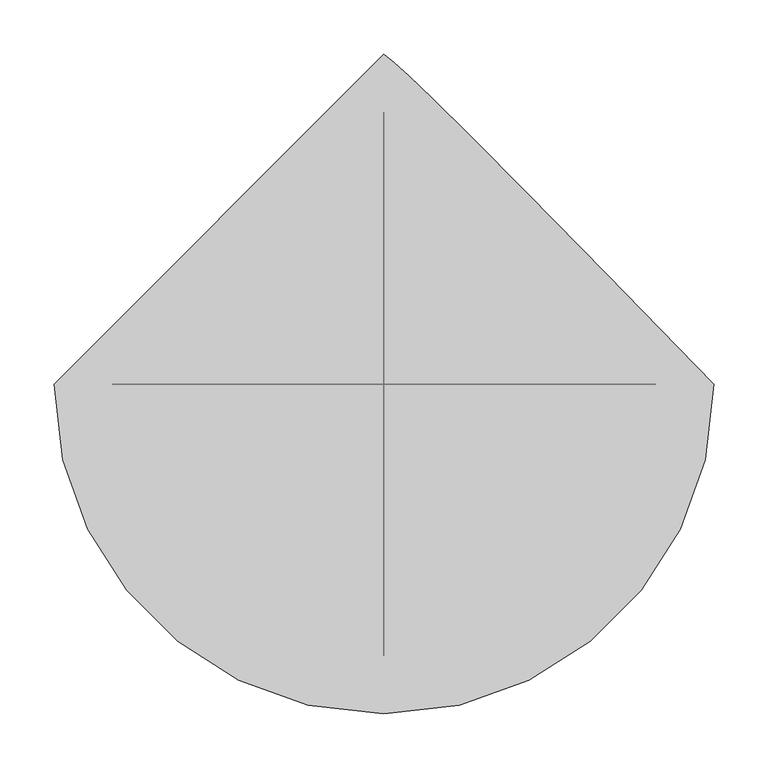
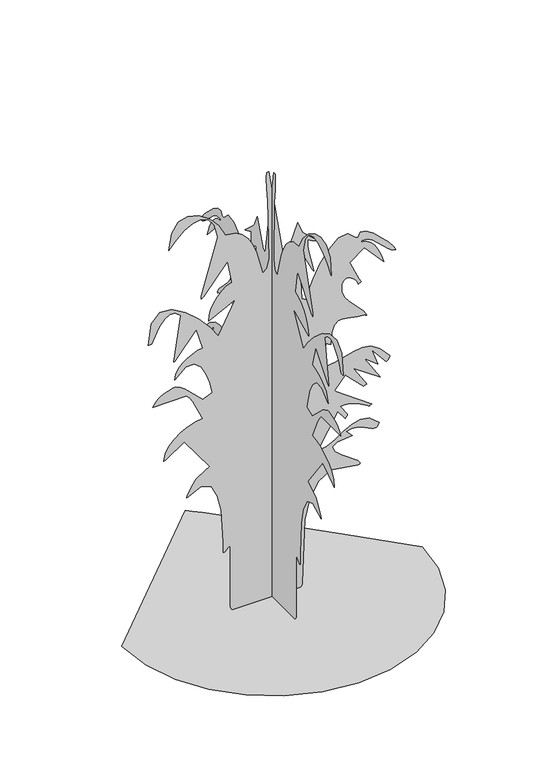
"""IFC4 building model written with IfcOpenShell, lengths in millimetres: geographic element geometry."""

from ifc_helpers import new_model, si_unit, origin, place, context, project, spatial, triangles, source, transform, mapped, element, save


def geographic_element_6c560ffb(model_context):
    return source(origin(), model_context, "Body", "Tessellation", [
        triangles([(-305.0232059, 0.0, 3.81e-05), (-296.9595629, -69.8910782, 3.81e-05), (-273.9929051, -134.0747832, 3.81e-05), (-237.9655802, -190.7131774, 3.81e-05), (-190.7131774, -237.9655802, 3.81e-05), (-134.0747832, -273.9929051, 3.81e-05), (-69.8910782, -296.9595629, 3.81e-05), (1.33e-05, -305.0232059, 3.81e-05), (69.8910782, -296.9595629, 3.81e-05), (134.0749557, -273.9929051, 3.81e-05), (190.7131774, -237.9655802, 3.81e-05), (237.9655802, -190.7131774, 3.81e-05), (273.9929051, -134.0747832, 3.81e-05), (296.9595629, -69.8910782, 3.81e-05), (305.0232059, 2.67e-05, 3.81e-05), (205.8972796, 101.678641, 3.81e-05), (132.4104044, 176.5399873, 3.81e-05), (80.2893216, 229.0535879, 3.81e-05), (45.260891, 263.6889919, 3.81e-05), (23.0520018, 284.9166025, 3.81e-05), (9.3893887, 297.2050966, 3.81e-05), (-4e-05, 305.0232059, 3.81e-05), (23.2885585, 3.7e-06, 725.6383387), (24.1582547, 3.7e-06, 725.7297575), (25.3026071, 3.7e-06, 725.9769808), (26.5930965, 3.6e-06, 726.3376419), (27.9010245, 3.6e-06, 726.771191), (29.0977038, 3.6e-06, 727.2351162), (30.054436, 3.6e-06, 727.6889402), (30.6428675, 3.5e-06, 728.0902966), (52.7056265, 2e-07, 784.4731195), (62.5113688, 1.6e-06, 759.9587729), (94.3800404, 3.4e-06, 730.5421818), (93.3054512, 3.3e-06, 730.8470324), (80.2065142, 2.3e-06, 736.6466784), (72.967353, 1.8e-06, 741.0171965), (72.5145554, 2.5e-06, 729.9563164), (73.4104991, 3.3e-06, 719.6998203), (82.740244, 6.3e-06, 680.3044779), (84.5742981, 7e-06, 669.255443), (82.6857233, 6.9e-06, 671.9275183), (60.0599332, 4.1e-06, 718.2842091), (55.1570621, 4.1e-06, 718.2842091), (60.0599332, 1.01e-05, 617.7764631), (61.0654314, 1.01e-05, 617.5495874), (62.5599668, 1.02e-05, 616.9518042), (64.329331, 1.02e-05, 616.1119572), (66.158975, 1.03e-05, 615.1569283), (67.8345268, 1.03e-05, 614.2137445), (69.14161, 1.04e-05, 613.4111046), (69.8656801, 1.04e-05, 612.87262), (73.5718719, 9.4e-06, 629.4723335), (83.5870854, 7.9e-06, 654.1086205), (98.2562482, 6.3e-06, 681.4423445), (115.9246374, 4.8e-06, 706.1294277), (134.9370307, 3.8e-06, 722.8341494), (153.6385145, 3.6e-06, 726.2140303), (170.3745569, 4.6e-06, 710.9300795), (175.276765, 4.6e-06, 710.9300795), (179.5676549, 4e-06, 720.1638182), (190.6132562, 4.3e-06, 718.1808723), (205.6737468, 5e-06, 708.3223171), (236.8818528, 6.9e-06, 678.3553963), (247.548153, 7.6e-06, 664.9290356), (251.2717811, 7.8e-06, 656.9991417), (244.2241372, 7.5e-06, 658.4333565), (235.5475047, 7.1e-06, 664.9780878), (204.0041358, 5.5e-06, 694.3489695), (193.0685932, 5.2e-06, 700.4110994), (182.6308946, 5.1e-06, 701.123992), (180.1806444, 5.3e-06, 698.6737055), (190.7080905, 5.4e-06, 696.4469519), (200.0078681, 5.8e-06, 690.452623), (208.0393364, 6.3e-06, 681.7166737), (214.7686313, 6.9e-06, 671.2603352), (220.1568199, 7.6e-06, 660.1131958), (224.1649328, 8.2e-06, 649.2978676), (226.7574344, 8.8e-06, 639.8389246), (187.5347922, 6.2e-06, 683.9654463), (158.1172201, 7.5e-06, 661.9013134), (158.597278, 7.6e-06, 659.7795679), (176.4722589, 1.02e-05, 620.7144379), (180.8647596, 1.07e-05, 612.9064842), (174.8009401, 1.05e-05, 610.5324286), (171.6818172, 1.01e-05, 617.1889263), (166.9028938, 9.7e-06, 623.1917576), (161.1411634, 9.4e-06, 627.8805702), (155.0732743, 9.3e-06, 630.5933407), (149.3758932, 9.3e-06, 630.6762571), (144.7258409, 9.5e-06, 627.4656973), (141.7997568, 1e-05, 620.3046518), (141.7301662, 1.08e-05, 605.2983367), (146.7597011, 1.16e-05, 592.3206405), (155.289522, 1.23e-05, 580.7721085), (185.8939403, 1.42e-05, 548.7037897), (192.4369821, 1.49e-05, 536.8792571), (189.9850423, 1.49e-05, 536.8792571), (189.9850423, 1.48e-05, 539.331215), (174.0829607, 1.47e-05, 540.8687665), (146.0529038, 1.44e-05, 546.1570338), (134.9107786, 1.44e-05, 545.2307822), (126.341507, 1.48e-05, 538.8062834), (120.8381819, 1.57e-05, 524.5433458), (118.8942327, 1.71e-05, 500.106865), (109.0884903, 1.68e-05, 505.0107445), (104.1856192, 1.97e-05, 455.9820511), (127.5502087, 1.96e-05, 458.3290009), (165.7268755, 1.9e-05, 468.7175746), (182.7629723, 1.88e-05, 471.1627378), (199.916431, 1.9e-05, 468.0419618), (218.2958506, 1.97e-05, 456.5611582), (239.0137539, 2.11e-05, 433.9196259), (238.7360456, 2.12e-05, 432.3380364), (237.9859097, 2.13e-05, 430.5346581), (236.8920084, 2.14e-05, 428.677068), (235.5830767, 2.15e-05, 426.9346235), (234.1894662, 2.16e-05, 425.4817326), (232.8398757, 2.16e-05, 424.4843734), (231.6596243, 2.16e-05, 424.1135385), (202.2430696, 1.96e-05, 458.4339726), (214.4655248, 2.17e-05, 424.7400627), (187.6109867, 2.04e-05, 445.7932471), (219.4032866, 2.34e-05, 394.6969837), (165.4713497, 2.12e-05, 431.4676681), (166.4947974, 2.13e-05, 429.2714358), (188.1206758, 2.33e-05, 395.8721663), (192.4369821, 2.37e-05, 389.7931043), (191.8493907, 2.37e-05, 389.6576111), (185.9532208, 2.38e-05, 387.478311), (185.0828343, 2.38e-05, 387.3411464), (148.3114687, 2.16e-05, 424.1135385), (126.2485439, 2.33e-05, 397.1472339), (202.2430696, 2.65e-05, 343.2162961), (201.7503126, 2.65e-05, 343.1248773), (201.0492652, 2.65e-05, 342.877654), (200.2246063, 2.65e-05, 342.5169565), (199.3576352, 2.65e-05, 342.0834801), (198.5329762, 2.66e-05, 341.6194822), (197.8319289, 2.66e-05, 341.1656945), (197.3391719, 2.66e-05, 340.7643745), (190.5624599, 2.61e-05, 345.3279041), (172.6639521, 2.55e-05, 353.945256), (153.4994968, 2.53e-05, 359.7957347), (145.1415495, 2.54e-05, 360.9014812), (138.5057264, 2.54e-05, 360.3765495), (153.2141763, 2.68e-05, 338.3141244), (153.0270511, 2.68e-05, 337.1338549), (152.5236298, 2.69e-05, 335.7825929), (151.7910982, 2.7e-05, 334.3889643), (150.9164877, 2.71e-05, 333.0817039), (149.9868479, 2.71e-05, 331.987839), (149.0895553, 2.72e-05, 331.2376668), (148.3114687, 2.72e-05, 330.958287), (133.6028461, 2.6e-05, 350.570462), (91.9286003, 3.03e-05, 279.4793072), (110.7205219, 3.01e-05, 283.3163913), (128.2373579, 2.96e-05, 292.5281291), (145.090408, 2.9e-05, 303.653304), (161.8911358, 2.85e-05, 313.2392741), (179.2510137, 2.83e-05, 317.8264941), (197.7811326, 2.86e-05, 313.9606327), (218.0926472, 2.96e-05, 298.1838522), (217.9995206, 2.96e-05, 297.7351151), (212.4233711, 2.97e-05, 290.042307), (212.0491389, 2.97e-05, 289.2853947), (203.2302731, 2.96e-05, 290.5096659), (195.2343585, 2.94e-05, 293.5373517), (179.7894801, 2.9e-05, 301.0913056), (171.3753134, 2.88e-05, 303.6685465), (161.8603237, 2.88e-05, 304.1426818), (150.7628997, 2.9e-05, 301.5417323), (163.0199186, 2.97e-05, 289.2853947), (132.2055114, 3.02e-05, 286.2373976), (122.3894408, 3.15e-05, 278.2465699), (127.5977893, 3.33e-05, 267.0350086), (141.8573386, 3.53e-05, 254.3248651), (173.6342235, 3.83e-05, 231.3107902), (179.2035965, 3.88e-05, 224.4511072), (177.6812875, 3.87e-05, 222.6798853), (174.0710973, 3.87e-05, 222.2226821), (118.7719745, 4e-05, 230.9839751), (93.4177172, 4.11e-05, 214.8262041), (76.6009021, 4.23e-05, 183.1642922), (66.6607113, 4.36e-05, 141.9982185), (61.6525095, 4.68e-05, 8.3891034), (61.2085186, 4.69e-05, 5.5478791), (60.3527115, 4.69e-05, 3.3148492), (58.9878829, 4.7e-05, 1.597296), (57.0161691, 4.69e-05, 0.3024883), (-78.908919, 4.72e-05, 1.6e-05), (-81.3979476, 4.72e-05, 1.5855646), (-83.0990611, 4.73e-05, 3.4651154), (-84.1516404, 4.74e-05, 5.5596988), (-84.6946941, 4.74e-05, 7.7901892), (-84.8679211, 4.75e-05, 10.0776768), (-84.6608208, 4.76e-05, 14.507229), (-84.5742981, 3.87e-05, 137.2961799), (-86.247479, 3.88e-05, 138.0415832), (-88.3450072, 3.89e-05, 136.9385437), (-95.4942529, 3.9e-05, 130.0375387), (-97.5990663, 3.91e-05, 129.0393256), (-99.2829115, 3.92e-05, 129.9418686), (-99.1957076, 3.79e-05, 151.8805005), (-103.2629193, 3.37e-05, 221.3133626), (-110.5930133, 3.17e-05, 255.2155629), (-123.5717269, 3.03e-05, 279.514861), (-143.786545, 2.98e-05, 287.4176489), (-172.8265148, 3.07e-05, 272.1251594), (-173.0771173, 3.06e-05, 273.4188668), (-171.9290405, 3.04e-05, 276.8749603), (-163.0813793, 2.94e-05, 293.7557795), (-155.6657709, 2.88e-05, 303.993672), (-154.8604239, 2.87e-05, 305.6378849), (-152.0650731, 2.86e-05, 308.2422318), (-136.8848678, 2.8e-05, 318.3700656), (-126.2485439, 2.76e-05, 323.6041574), (-177.7287047, 2.34e-05, 394.6969837), (-214.4994072, 2.49e-05, 370.1826007), (-219.4032866, 2.5e-05, 367.7306791), (-216.7498331, 2.41e-05, 382.3762968), (-209.4922092, 2.33e-05, 395.702809), (-198.6836756, 2.26e-05, 407.3935925), (-185.372406, 2.21e-05, 417.1319152), (-170.6133142, 2.16e-05, 424.6012267), (-155.4576622, 2.13e-05, 429.4847949), (-140.9571574, 2.12e-05, 431.4676681), (-142.4748882, 2.09e-05, 435.8686349), (-160.6573812, 1.82e-05, 474.9168692), (-167.0918721, 1.8e-05, 484.6416753), (-173.8255817, 1.83e-05, 492.1922318), (-241.9669348, 2.08e-05, 491.3506408), (-235.9860862, 2.01e-05, 499.6496618), (-230.46582, 1.94e-05, 505.4120645), (-225.1352224, 1.85e-05, 509.2779622), (-219.7267226, 1.76e-05, 511.895862), (-200.3075954, 1.49e-05, 518.6844011), (-195.4036978, 1.49e-05, 518.6844011), (-185.9024064, 1.55e-05, 513.910928), (-177.5170352, 1.61e-05, 508.4448372), (-140.9571574, 1.87e-05, 473.1422682), (-121.3456728, 1.83e-05, 480.4963978), (-126.5933085, 1.69e-05, 503.7272109), (-133.5689819, 1.56e-05, 524.2927434), (-143.815504, 1.45e-05, 543.2986691), (-157.6107285, 1.37e-05, 555.0944243), (-175.232727, 1.38e-05, 554.0344236), (-196.9564918, 1.49e-05, 534.4713372), (-195.0650375, 1.43e-05, 545.4830924), (-189.8885184, 1.37e-05, 555.3315102), (-182.1770887, 1.32e-05, 563.9149979), (-172.6774868, 1.28e-05, 571.1234968), (-162.1431008, 1.25e-05, 576.853743), (-151.3196699, 1.23e-05, 581.0007282), (-140.9571574, 1.22e-05, 583.4560289), (-153.2143398, 9.5e-06, 627.5825506), (-197.3408615, 1.27e-05, 573.6499778), (-199.7911117, 1.27e-05, 573.6499778), (-185.1353384, 6.7e-06, 668.8846081), (-196.47558, 6.1e-06, 678.1623848), (-207.3687741, 6.2e-06, 678.5654125), (-217.4932106, 6.6e-06, 672.3830137), (-226.5305224, 7.3e-06, 661.9047289), (-234.1606708, 8.1e-06, 649.4180637), (-243.9176515, 9.5e-06, 627.5825506), (-251.2717811, 9.5e-06, 627.5825506), (-244.8151076, 6.9e-06, 671.4042944), (-227.8140741, 5.8e-06, 689.583926), (-203.8246409, 5.9e-06, 687.9007439), (-176.4028227, 6.9e-06, 672.1357904), (-149.1025904, 8.3e-06, 648.0718523), (-125.4794321, 9.9e-06, 621.4865564), (-109.0886539, 1.13e-05, 598.1643245), (-74.7685512, 7.3e-06, 664.3532713), (-128.699975, 8.9e-06, 637.3869667), (-127.426597, 8.3e-06, 648.7881603), (-123.8213211, 7.6e-06, 660.533083), (-118.2074196, 6.9e-06, 672.0257681), (-110.9074654, 6.2e-06, 682.6717026), (-102.2450581, 5.7e-06, 691.8749926), (-92.5424345, 5.3e-06, 699.0411976), (-82.122858, 5e-06, 703.5758772), (-81.8107767, 4.9e-06, 705.340377), (-89.4771692, 2.2e-06, 750.1526854), (-92.1616075, 2.2e-06, 749.6988613), (-138.6035947, 5.6e-06, 693.0162746), (-143.4085975, 5.9e-06, 688.867618), (-143.3291783, 4.4e-06, 695.5783276), (-110.3909999, -1.4e-06, 810.8264528), (-117.634226, -3.1e-06, 838.8815718), (-129.3588555, -4e-06, 854.8446236), (-144.2491621, -4.4e-06, 860.5274162), (-160.9887563, -4.3e-06, 857.7334007), (-178.2621024, -3.7e-06, 848.2762018), (-194.7517572, -2.9e-06, 833.9590525), (-209.1433933, -1.8e-06, 816.5939787), (-203.9279231, -3.9e-06, 851.4579844), (-190.1967118, -5e-06, 870.3233299), (-170.8249836, -5.3e-06, 875.599752), (-148.6828123, -4.9e-06, 869.6950979), (-126.6463031, -4.1e-06, 855.0190315), (-107.5875191, -2.8e-06, 833.9810715), (-94.3800404, -1.3e-06, 808.9874662), (-74.002487, -1.2e-06, 806.8420303), (-60.0551915, -6e-07, 798.1281727), (-48.6578857, 1e-07, 785.36042), (-39.4812111, 1.1e-06, 769.6954605), (-32.195146, 2.1e-06, 752.2862761), (-18.3856874, 5.1e-06, 701.123992), (-10.417292, 4.7e-06, 708.6220081), (-5.9959691, 3.5e-06, 728.2189951), (-8.5800098, -4.1e-06, 855.5642744), (-9.416414, -3.9e-06, 861.7178232), (-10.1250565, -4.2e-06, 868.9957947), (-10.6854306, -4.7e-06, 877.1762547), (-11.0767596, -5.4e-06, 886.0307287), (-11.278672, -6.2e-06, 895.3372828), (-11.2704932, -6.9e-06, 904.8690411), (-11.0314465, -7.6e-06, 914.3990553), (-6.1285906, -7.6e-06, 914.3990553), (-2.1e-05, 23.2885585, 725.6383387), (-2.1e-05, 24.1582547, 725.7297575), (-2.1e-05, 25.3026071, 725.9769808), (-2.1e-05, 26.5930965, 726.339386), (-2.1e-05, 27.9010245, 726.771191), (-2.1e-05, 29.0977038, 727.2368603), (-2.1e-05, 30.054604, 727.6889402), (-2.1e-05, 30.6428675, 728.0902966), (-2.1e-05, 52.7057945, 784.4731195), (-2.1e-05, 62.5115368, 759.9587729), (-2.1e-05, 94.3800404, 730.5421818), (-2.1e-05, 93.3054512, 730.8470324), (-2.03e-05, 80.2065142, 736.6466784), (-2.01e-05, 72.9675211, 741.0171965), (-2.01e-05, 72.514728, 729.9563164), (-2.03e-05, 73.4104991, 719.6998203), (-2.1e-05, 82.7404166, 680.3044779), (-2.1e-05, 84.5742981, 669.255443), (-2.1e-05, 82.6857233, 671.9275183), (-2.1e-05, 60.0601013, 718.2842091), (-2.1e-05, 55.1572301, 718.2842091), (-2.1e-05, 60.0601013, 617.7764631), (-2.1e-05, 61.0654314, 617.5495874), (-2.1e-05, 62.5601394, 616.9518042), (-2.1e-05, 64.329331, 616.1119572), (-2.1e-05, 66.159143, 615.1569283), (-2.1e-05, 67.8345268, 614.2137445), (-2.1e-05, 69.14161, 613.4111046), (-2.1e-05, 69.8656801, 612.87262), (-2.1e-05, 73.5718719, 629.4723335), (-2.1e-05, 83.5870854, 654.1086205), (-2.1e-05, 98.2564117, 681.4423445), (-2.1e-05, 115.92481, 706.1294277), (-2.1e-05, 134.9370307, 722.8341494), (-2.1e-05, 153.6386962, 726.2140303), (-2.1e-05, 170.3745569, 710.9300795), (-2.1e-05, 175.276765, 710.9300795), (-2.11e-05, 179.5676549, 720.1638182), (-2.12e-05, 190.6132562, 718.1808723), (-2.13e-05, 205.6737468, 708.3223171), (-2.14e-05, 236.8818528, 678.3553963), (-2.13e-05, 247.548153, 664.9290356), (-2.1e-05, 251.2717811, 656.9991417), (-2.09e-05, 244.2241372, 658.4333565), (-2.08e-05, 235.5475047, 664.9780878), (-2.1e-05, 204.0041358, 694.3489695), (-2.1e-05, 193.0685932, 700.4110994), (-2.1e-05, 182.6308946, 701.123992), (-2.1e-05, 180.1806444, 698.6737055), (-2.1e-05, 190.7080905, 696.4469519), (-2.1e-05, 200.0078681, 690.452623), (-2.1e-05, 208.0393364, 681.7166737), (-2.1e-05, 214.7686313, 671.2603352), (-2.1e-05, 220.1568199, 660.1131958), (-2.1e-05, 224.1649328, 649.2978676), (-2.1e-05, 226.7574344, 639.8389246), (-2.1e-05, 187.5347922, 683.9654463), (-2.1e-05, 158.1172201, 661.9013134), (-2.11e-05, 158.597278, 659.7795679), (-2.13e-05, 176.4722589, 620.7144379), (-2.13e-05, 180.8647596, 612.9064842), (-2.11e-05, 174.8009401, 610.5324286), (-2.1e-05, 171.6818172, 617.1889263), (-2.1e-05, 166.9028938, 623.1917576), (-2.1e-05, 161.1411634, 627.8805702), (-2.1e-05, 155.0732743, 630.5950121), (-2.1e-05, 149.3760658, 630.6762571), (-2.1e-05, 144.7258409, 627.4656973), (-2.1e-05, 141.7997568, 620.3046518), (-2.1e-05, 141.7303388, 605.2983367), (-2.1e-05, 146.7598646, 592.3206405), (-2.1e-05, 155.289522, 580.7721085), (-2.1e-05, 185.8939403, 548.7037897), (-2.1e-05, 192.4369821, 536.8792571), (-2.1e-05, 189.9850423, 536.8792571), (-2.1e-05, 189.9850423, 539.331215), (-2.1e-05, 174.0829607, 540.8687665), (-2.1e-05, 146.0530673, 546.1570338), (-2.1e-05, 134.9107786, 545.2307822), (-2.1e-05, 126.341507, 538.8062834), (-2.1e-05, 120.8383455, 524.5433458), (-2.1e-05, 118.8944052, 500.106865), (-2.1e-05, 109.0886539, 505.0107445), (-2.1e-05, 104.1857827, 455.9820511), (-2.1e-05, 127.5502087, 458.3290009), (-2.1e-05, 165.727039, 468.7175746), (-2.1e-05, 182.7629723, 471.1627378), (-2.1e-05, 199.916431, 468.0419618), (-2.1e-05, 218.2958506, 456.5611582), (-2.1e-05, 239.0137539, 433.9196259), (-2.1e-05, 238.7360456, 432.3380364), (-2.1e-05, 237.9859097, 430.5346581), (-2.1e-05, 236.8920084, 428.677068), (-2.1e-05, 235.5830767, 426.9346235), (-2.1e-05, 234.1894662, 425.4817326), (-2.1e-05, 232.8398757, 424.4843734), (-2.1e-05, 231.6596243, 424.1135385), (-2.1e-05, 202.2430696, 458.4339726), (-2.11e-05, 214.4655248, 424.7400627), (-2.1e-05, 187.6109867, 445.7932471), (-2.1e-05, 219.4032866, 394.6969837), (-2.1e-05, 165.4715132, 431.4676681), (-2.1e-05, 166.4947974, 429.2714358), (-2.1e-05, 188.1206758, 395.8721663), (-2.1e-05, 192.4369821, 389.7931043), (-2.1e-05, 191.8493907, 389.6576111), (-2.1e-05, 185.9532208, 387.478311), (-2.1e-05, 185.0828343, 387.3411464), (-2.1e-05, 148.3114687, 424.1135385), (-2.1e-05, 126.2485439, 397.1472339), (-2.1e-05, 202.2430696, 343.2162961), (-2.1e-05, 201.7503126, 343.1248773), (-2.1e-05, 201.0492652, 342.877654), (-2.1e-05, 200.2246063, 342.5169565), (-2.1e-05, 199.3576352, 342.0834801), (-2.1e-05, 198.5329762, 341.6194822), (-2.1e-05, 197.8319289, 341.1656945), (-2.1e-05, 197.3408615, 340.7643745), (-2.08e-05, 190.5624599, 345.3279041), (-2.07e-05, 172.6639521, 353.945256), (-2.09e-05, 153.4996603, 359.7957347), (-2.1e-05, 145.1417221, 360.9014812), (-2.1e-05, 138.5057264, 360.3765495), (-2.1e-05, 153.2143398, 338.3141244), (-2.1e-05, 153.0272328, 337.1338549), (-2.1e-05, 152.5237933, 335.7825929), (-2.1e-05, 151.7910982, 334.3889643), (-2.1e-05, 150.9164877, 333.0817039), (-2.1e-05, 149.9870205, 331.987839), (-2.1e-05, 149.0895553, 331.2376668), (-2.1e-05, 148.3114687, 330.958287), (-2.1e-05, 133.6028461, 350.570462), (-2.1e-05, 91.9286003, 279.4793072), (-2.11e-05, 110.7205219, 283.318099), (-2.11e-05, 128.2373579, 292.5281291), (-2.12e-05, 145.0905806, 303.653304), (-2.13e-05, 161.8911358, 313.2392741), (-2.14e-05, 179.2510137, 317.8264941), (-2.14e-05, 197.7811326, 313.9606327), (-2.15e-05, 218.0926472, 298.1838522), (-2.14e-05, 217.9995206, 297.7351151), (-2.11e-05, 212.4233711, 290.042307), (-2.1e-05, 212.0491389, 289.2853947), (-2.1e-05, 203.2302731, 290.5096659), (-2.1e-05, 195.2360663, 293.5373517), (-2.1e-05, 179.7894801, 301.0913056), (-2.1e-05, 171.3753134, 303.6685465), (-2.1e-05, 161.8603237, 304.1426818), (-2.1e-05, 150.7628997, 301.5417323), (-2.1e-05, 163.0200821, 289.2853947), (-2.14e-05, 132.2055114, 286.2373976), (-2.22e-05, 122.3894408, 278.2465699), (-2.34e-05, 127.5979619, 267.0350086), (-2.46e-05, 141.8575022, 254.3248651), (-2.62e-05, 173.6342235, 231.3107902), (-2.62e-05, 179.2035965, 224.4511072), (-2.61e-05, 177.6812875, 222.6798853), (-2.61e-05, 174.0710973, 222.2226821), (-2.79e-05, 118.7719745, 230.9839751), (-2.8e-05, 93.4177172, 214.8262041), (-2.73e-05, 76.6009021, 183.1642922), (-2.61e-05, 66.6607113, 141.9982185), (-2.14e-05, 61.6525095, 8.3890864), (-2.13e-05, 61.2085186, 5.5478627), (-2.13e-05, 60.3528795, 3.3148322), (-2.12e-05, 58.9878829, 1.5972791), (-2.11e-05, 57.0161691, 0.3024714), (-2.13e-05, -78.9087464, 0.0), (-2.15e-05, -81.397775, 1.5855495), (-2.16e-05, -83.0988976, 3.4650984), (-2.18e-05, -84.1514678, 5.5596818), (-2.2e-05, -84.6946941, 7.7901892), (-2.22e-05, -84.8679211, 10.0776598), (-2.25e-05, -84.6608208, 14.507212), (-2.1e-05, -84.5742981, 137.2961799), (-2.12e-05, -86.2473064, 138.0414106), (-2.11e-05, -88.3450072, 136.9385437), (-2.09e-05, -95.4942529, 130.0375387), (-2.09e-05, -97.5990663, 129.0393256), (-2.1e-05, -99.2827389, 129.9418686), (-2.1e-05, -99.1957076, 151.8805005), (-2.1e-05, -103.2627467, 221.3133626), (-2.1e-05, -110.5930133, 255.2155629), (-2.1e-05, -123.5715544, 279.5165687), (-2.1e-05, -143.786545, 287.4176489), (-2.1e-05, -172.8265148, 272.1251594), (-2.1e-05, -173.0771173, 273.4188668), (-2.1e-05, -171.9290405, 276.8749603), (-2.1e-05, -163.0812158, 293.7557795), (-2.1e-05, -155.6656074, 303.993672), (-2.1e-05, -154.8604239, 305.6378849), (-2.1e-05, -152.0650731, 308.2439395), (-2.1e-05, -136.8848678, 318.3700656), (-2.1e-05, -126.2485439, 323.6041574), (-2.1e-05, -177.7287047, 394.6969837), (-2.1e-05, -214.4994072, 370.1826007), (-2.1e-05, -219.4032866, 367.7306791), (-2.1e-05, -216.7498331, 382.3762968), (-2.1e-05, -209.4922092, 395.702809), (-2.1e-05, -198.681986, 407.3935925), (-2.1e-05, -185.372406, 417.1319152), (-2.1e-05, -170.6133142, 424.6012267), (-2.1e-05, -155.4574987, 429.4847949), (-2.1e-05, -140.9571574, 431.4676681), (-2.1e-05, -142.4748882, 435.8686349), (-2.07e-05, -160.6572176, 474.9168692), (-2.1e-05, -167.0918721, 484.6416753), (-2.17e-05, -173.8255817, 492.1922318), (-2.42e-05, -241.9669348, 491.3506408), (-2.4e-05, -235.9843966, 499.6496618), (-2.36e-05, -230.46582, 505.4120645), (-2.3e-05, -225.1352224, 509.2779622), (-2.23e-05, -219.7267226, 511.895862), (-1.99e-05, -200.3075954, 518.6844011), (-1.99e-05, -195.4036978, 518.6844011), (-2.03e-05, -185.9024064, 513.910928), (-2.05e-05, -177.5153456, 508.4448372), (-2.1e-05, -140.9571574, 473.1422682), (-2.1e-05, -121.3456728, 480.4963978), (-2.1e-05, -126.5933085, 503.7272109), (-2.1e-05, -133.5688184, 524.2927434), (-2.1e-05, -143.815504, 543.2986691), (-2.09e-05, -157.6107285, 555.0944243), (-2.09e-05, -175.2310374, 554.0344236), (-2.09e-05, -196.9564918, 534.4713372), (-2.09e-05, -195.0650375, 545.4830924), (-2.09e-05, -189.8885184, 555.3315102), (-2.1e-05, -182.1770887, 563.9149979), (-2.1e-05, -172.6774868, 571.1234968), (-2.1e-05, -162.1431008, 576.853743), (-2.1e-05, -151.3196699, 581.0007282), (-2.1e-05, -140.9571574, 583.4560289), (-2.1e-05, -153.2141763, 627.5825506), (-2.1e-05, -197.3391719, 573.6499778), (-2.1e-05, -199.7911117, 573.6499778), (-2.07e-05, -185.1353384, 668.8846081), (-2.07e-05, -196.47558, 678.1623848), (-2.07e-05, -207.3687741, 678.5654125), (-2.08e-05, -217.4932106, 672.3830137), (-2.09e-05, -226.5305224, 661.9047289), (-2.1e-05, -234.1589812, 649.4180637), (-2.1e-05, -243.9176515, 627.5825506), (-2.1e-05, -251.2717811, 627.5825506), (-2.1e-05, -244.8151076, 671.4042944), (-2.1e-05, -227.8140741, 689.583926), (-2.1e-05, -203.8246409, 687.9007439), (-2.1e-05, -176.4028227, 672.1357904), (-2.1e-05, -149.1025904, 648.0718523), (-2.1e-05, -125.4794321, 621.4865564), (-2.1e-05, -109.0884903, 598.1643245), (-2.1e-05, -74.7685512, 664.3532713), (-2.1e-05, -128.699975, 637.3869667), (-2.1e-05, -127.4264244, 648.7881603), (-2.1e-05, -123.8211485, 660.533083), (-2.1e-05, -118.207247, 672.0257681), (-2.1e-05, -110.9074654, 682.6717026), (-2.1e-05, -102.2448855, 691.8749926), (-2.1e-05, -92.542271, 699.0411976), (-2.1e-05, -82.122858, 703.5758772), (-2.1e-05, -81.8106132, 705.340377), (-2.1e-05, -89.4771692, 750.1526854), (-2.1e-05, -92.1616075, 749.6988613), (-2.1e-05, -138.6035947, 693.0162746), (-2.1e-05, -143.4085975, 688.867618), (-1.99e-05, -143.3290057, 695.5783276), (-2.1e-05, -110.3909999, 810.8264528), (-2.1e-05, -117.6340534, 838.8815718), (-2.1e-05, -129.3588555, 854.8446236), (-2.1e-05, -144.2491621, 860.5274162), (-2.1e-05, -160.9885928, 857.7334007), (-2.1e-05, -178.2621024, 848.2762018), (-2.09e-05, -194.7517572, 833.9590525), (-2.09e-05, -209.1433933, 816.5939787), (-2.09e-05, -203.9279231, 851.4579844), (-2.1e-05, -190.1967118, 870.3233299), (-2.1e-05, -170.8232941, 875.599752), (-2.1e-05, -148.6828123, 869.6950979), (-2.1e-05, -126.6463031, 855.0190315), (-2.1e-05, -107.5875191, 833.9810715), (-2.1e-05, -94.3800404, 808.9874662), (-2.1e-05, -74.002487, 806.8420303), (-2.1e-05, -60.0550234, 798.1281727), (-2.1e-05, -48.6577131, 785.3621641), (-2.1e-05, -39.4810431, 769.6954605), (-2.1e-05, -32.195146, 752.2862761), (-2.1e-05, -18.3856874, 701.123992), (-2.1e-05, -10.4172069, 708.6220081), (-2.1e-05, -5.9959009, 728.2189951), (-2.1e-05, -8.5799252, 855.5642744), (-2.15e-05, -9.4163465, 861.7178232), (-2.17e-05, -10.1249713, 868.9957947), (-2.17e-05, -10.6853625, 877.1762547), (-2.15e-05, -11.0766915, 886.0307287), (-2.13e-05, -11.278605, 895.3372828), (-2.11e-05, -11.2704263, 904.8690411), (-2.1e-05, -11.0313783, 914.3990553), (-2.1e-05, -6.1285061, 914.3990553)], [[21, 22, 1], [20, 21, 1], [19, 20, 1], [18, 19, 1], [17, 18, 1], [17, 1, 2], [17, 2, 3], [17, 3, 4], [16, 17, 4], [16, 4, 5], [16, 5, 6], [16, 6, 7], [16, 7, 8], [16, 8, 9], [16, 9, 10], [16, 10, 11], [16, 11, 12], [15, 16, 12], [14, 15, 12], [13, 14, 12], [122, 123, 124], [39, 40, 41], [77, 78, 79], [76, 77, 79], [32, 33, 34], [32, 34, 35], [32, 35, 36], [75, 76, 79], [294, 295, 296], [120, 121, 122], [74, 75, 79], [246, 247, 248], [246, 248, 249], [73, 74, 79], [30, 31, 32], [132, 133, 134], [285, 286, 287], [171, 172, 173], [246, 249, 250], [218, 219, 220], [64, 65, 66], [230, 231, 232], [230, 232, 233], [230, 233, 234], [230, 234, 235], [132, 134, 135], [230, 235, 236], [230, 236, 237], [230, 237, 238], [230, 238, 239], [273, 274, 275], [273, 275, 276], [273, 276, 277], [132, 135, 136], [72, 73, 79], [132, 136, 137], [273, 277, 278], [132, 137, 138], [217, 218, 220], [217, 220, 221], [217, 221, 222], [217, 222, 223], [126, 127, 128], [103, 104, 105], [229, 230, 239], [229, 239, 240], [132, 138, 139], [207, 208, 209], [207, 209, 210], [207, 210, 211], [273, 278, 279], [30, 32, 36], [30, 36, 37], [228, 229, 240], [293, 294, 296], [293, 296, 297], [293, 297, 298], [292, 293, 298], [292, 298, 299], [291, 292, 299], [291, 299, 300], [290, 291, 300], [289, 290, 300], [289, 300, 301], [288, 289, 301], [288, 301, 302], [132, 139, 140], [132, 140, 141], [132, 141, 142], [132, 142, 143], [132, 143, 144], [132, 144, 145], [64, 66, 67], [63, 64, 67], [256, 257, 258], [255, 256, 258], [273, 279, 280], [264, 265, 266], [263, 264, 266], [262, 263, 266], [262, 266, 267], [261, 262, 267], [261, 267, 268], [260, 261, 268], [259, 260, 268], [259, 268, 269], [258, 259, 269], [255, 258, 269], [255, 269, 270], [255, 270, 271], [254, 255, 271], [254, 271, 272], [82, 83, 84], [82, 84, 85], [273, 280, 281], [71, 72, 79], [63, 67, 68], [62, 63, 68], [62, 68, 69], [61, 62, 69], [61, 69, 70], [60, 61, 70], [59, 60, 70], [207, 211, 212], [96, 97, 98], [95, 96, 98], [95, 98, 99], [317, 318, 319], [317, 319, 23], [316, 317, 23], [315, 316, 23], [314, 315, 23], [313, 314, 23], [312, 313, 23], [311, 312, 23], [310, 311, 23], [246, 250, 251], [245, 246, 251], [245, 251, 252], [82, 85, 86], [82, 86, 87], [81, 82, 87], [30, 37, 38], [95, 99, 100], [39, 41, 42], [38, 39, 42], [30, 38, 42], [30, 42, 43], [81, 87, 88], [94, 95, 100], [309, 310, 23], [227, 228, 240], [217, 223, 224], [59, 70, 71], [245, 252, 253], [177, 178, 179], [177, 179, 180], [177, 180, 181], [176, 177, 181], [175, 176, 181], [71, 79, 80], [284, 285, 287], [284, 287, 288], [284, 288, 302], [284, 302, 303], [283, 284, 303], [283, 303, 304], [283, 304, 305], [283, 305, 306], [283, 306, 307], [282, 283, 307], [282, 307, 308], [281, 282, 308], [273, 281, 308], [152, 153, 154], [151, 152, 154], [150, 151, 154], [149, 150, 154], [148, 149, 154], [147, 148, 154], [146, 147, 154], [145, 146, 154], [164, 165, 166], [94, 100, 101], [58, 59, 71], [58, 71, 80], [118, 119, 120], [117, 118, 120], [116, 117, 120], [115, 116, 120], [114, 115, 120], [113, 114, 120], [112, 113, 120], [111, 112, 120], [110, 111, 120], [93, 94, 101], [109, 110, 120], [109, 120, 122], [108, 109, 122], [108, 122, 124], [107, 108, 124], [126, 128, 129], [126, 129, 130], [125, 126, 130], [125, 130, 131], [124, 125, 131], [107, 124, 131], [107, 131, 132], [106, 107, 132], [30, 43, 44], [29, 30, 44], [28, 29, 44], [27, 28, 44], [26, 27, 44], [25, 26, 44], [24, 25, 44], [23, 24, 44], [309, 23, 44], [308, 309, 44], [273, 308, 44], [272, 273, 44], [161, 162, 163], [161, 163, 164], [161, 164, 166], [161, 166, 167], [160, 161, 167], [160, 167, 168], [160, 168, 169], [159, 160, 169], [159, 169, 170], [158, 159, 170], [158, 170, 171], [158, 171, 173], [157, 158, 173], [156, 157, 173], [156, 173, 174], [81, 88, 89], [244, 245, 253], [244, 253, 254], [201, 202, 203], [200, 201, 203], [199, 200, 203], [198, 199, 203], [207, 212, 213], [207, 213, 214], [206, 207, 214], [206, 214, 215], [206, 215, 216], [57, 58, 80], [56, 57, 80], [55, 56, 80], [54, 55, 80], [53, 54, 80], [53, 80, 81], [53, 81, 89], [53, 89, 90], [52, 53, 90], [52, 90, 91], [51, 52, 91], [51, 91, 92], [51, 92, 93], [51, 93, 101], [51, 101, 102], [244, 254, 272], [243, 244, 272], [243, 272, 44], [242, 243, 44], [241, 242, 44], [217, 224, 225], [216, 217, 225], [216, 225, 226], [51, 102, 103], [51, 103, 105], [241, 44, 45], [241, 45, 46], [241, 46, 47], [241, 47, 48], [241, 48, 49], [241, 49, 50], [241, 50, 51], [241, 51, 105], [241, 105, 106], [241, 106, 132], [241, 132, 145], [241, 145, 154], [241, 154, 155], [240, 241, 155], [227, 240, 155], [226, 227, 155], [216, 226, 155], [206, 216, 155], [205, 206, 155], [204, 205, 155], [203, 204, 155], [198, 203, 155], [197, 198, 155], [175, 181, 182], [174, 175, 182], [156, 174, 182], [155, 156, 182], [197, 155, 182], [197, 182, 183], [197, 183, 184], [196, 197, 184], [196, 184, 185], [196, 185, 186], [196, 186, 187], [196, 187, 188], [196, 188, 189], [196, 189, 190], [195, 196, 190], [194, 195, 190], [194, 190, 191], [194, 191, 192], [194, 192, 193], [419, 420, 421], [336, 337, 338], [374, 375, 376], [373, 374, 376], [329, 330, 331], [329, 331, 332], [329, 332, 333], [372, 373, 376], [591, 592, 593], [417, 418, 419], [371, 372, 376], [543, 544, 545], [543, 545, 546], [370, 371, 376], [327, 328, 329], [429, 430, 431], [582, 583, 584], [468, 469, 470], [543, 546, 547], [515, 516, 517], [361, 362, 363], [527, 528, 529], [527, 529, 530], [527, 530, 531], [527, 531, 532], [429, 431, 432], [527, 532, 533], [527, 533, 534], [527, 534, 535], [527, 535, 536], [570, 571, 572], [570, 572, 573], [570, 573, 574], [429, 432, 433], [369, 370, 376], [429, 433, 434], [570, 574, 575], [429, 434, 435], [514, 515, 517], [514, 517, 518], [514, 518, 519], [514, 519, 520], [423, 424, 425], [400, 401, 402], [526, 527, 536], [526, 536, 537], [429, 435, 436], [504, 505, 506], [504, 506, 507], [504, 507, 508], [570, 575, 576], [327, 329, 333], [327, 333, 334], [525, 526, 537], [590, 591, 593], [590, 593, 594], [590, 594, 595], [589, 590, 595], [589, 595, 596], [588, 589, 596], [588, 596, 597], [587, 588, 597], [586, 587, 597], [586, 597, 598], [585, 586, 598], [585, 598, 599], [429, 436, 437], [429, 437, 438], [429, 438, 439], [429, 439, 440], [429, 440, 441], [429, 441, 442], [361, 363, 364], [360, 361, 364], [553, 554, 555], [552, 553, 555], [570, 576, 577], [561, 562, 563], [560, 561, 563], [559, 560, 563], [559, 563, 564], [558, 559, 564], [558, 564, 565], [557, 558, 565], [556, 557, 565], [556, 565, 566], [555, 556, 566], [552, 555, 566], [552, 566, 567], [552, 567, 568], [551, 552, 568], [551, 568, 569], [379, 380, 381], [379, 381, 382], [570, 577, 578], [368, 369, 376], [360, 364, 365], [359, 360, 365], [359, 365, 366], [358, 359, 366], [358, 366, 367], [357, 358, 367], [356, 357, 367], [504, 508, 509], [393, 394, 395], [392, 393, 395], [392, 395, 396], [614, 615, 616], [614, 616, 320], [613, 614, 320], [612, 613, 320], [611, 612, 320], [610, 611, 320], [609, 610, 320], [608, 609, 320], [607, 608, 320], [543, 547, 548], [542, 543, 548], [542, 548, 549], [379, 382, 383], [379, 383, 384], [378, 379, 384], [327, 334, 335], [392, 396, 397], [336, 338, 339], [335, 336, 339], [327, 335, 339], [327, 339, 340], [378, 384, 385], [391, 392, 397], [606, 607, 320], [524, 525, 537], [514, 520, 521], [356, 367, 368], [542, 549, 550], [474, 475, 476], [474, 476, 477], [474, 477, 478], [473, 474, 478], [472, 473, 478], [368, 376, 377], [581, 582, 584], [581, 584, 585], [581, 585, 599], [581, 599, 600], [580, 581, 600], [580, 600, 601], [580, 601, 602], [580, 602, 603], [580, 603, 604], [579, 580, 604], [579, 604, 605], [578, 579, 605], [570, 578, 605], [449, 450, 451], [448, 449, 451], [447, 448, 451], [446, 447, 451], [445, 446, 451], [444, 445, 451], [443, 444, 451], [442, 443, 451], [461, 462, 463], [391, 397, 398], [355, 356, 368], [355, 368, 377], [415, 416, 417], [414, 415, 417], [413, 414, 417], [412, 413, 417], [411, 412, 417], [410, 411, 417], [409, 410, 417], [408, 409, 417], [407, 408, 417], [390, 391, 398], [406, 407, 417], [406, 417, 419], [405, 406, 419], [405, 419, 421], [404, 405, 421], [423, 425, 426], [423, 426, 427], [422, 423, 427], [422, 427, 428], [421, 422, 428], [404, 421, 428], [404, 428, 429], [403, 404, 429], [327, 340, 341], [326, 327, 341], [325, 326, 341], [324, 325, 341], [323, 324, 341], [322, 323, 341], [321, 322, 341], [320, 321, 341], [606, 320, 341], [605, 606, 341], [570, 605, 341], [569, 570, 341], [458, 459, 460], [458, 460, 461], [458, 461, 463], [458, 463, 464], [457, 458, 464], [457, 464, 465], [457, 465, 466], [456, 457, 466], [456, 466, 467], [455, 456, 467], [455, 467, 468], [455, 468, 470], [454, 455, 470], [453, 454, 470], [453, 470, 471], [378, 385, 386], [541, 542, 550], [541, 550, 551], [498, 499, 500], [497, 498, 500], [496, 497, 500], [495, 496, 500], [504, 509, 510], [504, 510, 511], [503, 504, 511], [503, 511, 512], [503, 512, 513], [354, 355, 377], [353, 354, 377], [352, 353, 377], [351, 352, 377], [350, 351, 377], [350, 377, 378], [350, 378, 386], [350, 386, 387], [349, 350, 387], [349, 387, 388], [348, 349, 388], [348, 388, 389], [348, 389, 390], [348, 390, 398], [348, 398, 399], [541, 551, 569], [540, 541, 569], [540, 569, 341], [539, 540, 341], [538, 539, 341], [514, 521, 522], [513, 514, 522], [513, 522, 523], [348, 399, 400], [348, 400, 402], [538, 341, 342], [538, 342, 343], [538, 343, 344], [538, 344, 345], [538, 345, 346], [538, 346, 347], [538, 347, 348], [538, 348, 402], [538, 402, 403], [538, 403, 429], [538, 429, 442], [538, 442, 451], [538, 451, 452], [537, 538, 452], [524, 537, 452], [523, 524, 452], [513, 523, 452], [503, 513, 452], [502, 503, 452], [501, 502, 452], [500, 501, 452], [495, 500, 452], [494, 495, 452], [472, 478, 479], [471, 472, 479], [453, 471, 479], [452, 453, 479], [494, 452, 479], [494, 479, 480], [494, 480, 481], [493, 494, 481], [493, 481, 482], [493, 482, 483], [493, 483, 484], [493, 484, 485], [493, 485, 486], [493, 486, 487], [492, 493, 487], [491, 492, 487], [491, 487, 488], [491, 488, 489], [491, 489, 490]], closed=False),
    ])


if __name__ == "__main__":
    model = new_model("IFC4")
    model_context = context("Model", 3, world=origin())
    ifc_project = project(units=[si_unit("LENGTHUNIT", "METRE", prefix="MILLI")], contexts=[model_context])
    site = spatial("IfcSite", under=ifc_project)
    building = spatial("IfcBuilding", under=site)
    placement = place(None, origin())
    geographic_element_shape = geographic_element_6c560ffb(model_context)
    element("IfcGeographicElement", 1, at=placement, inside=building, context=model_context, shape_type="MappedRepresentation", body=[
        mapped(geographic_element_shape, transform((0.0, 0.0, 0.0), x_axis=(1.0, 0.0, 0.0), y_axis=(0.0, 1.0, 0.0), z_axis=(0.0, 0.0, 1.0))),
    ])
    save(model, "model.ifc")
